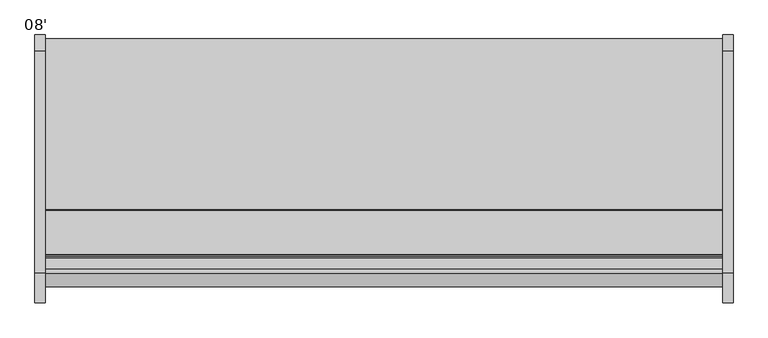
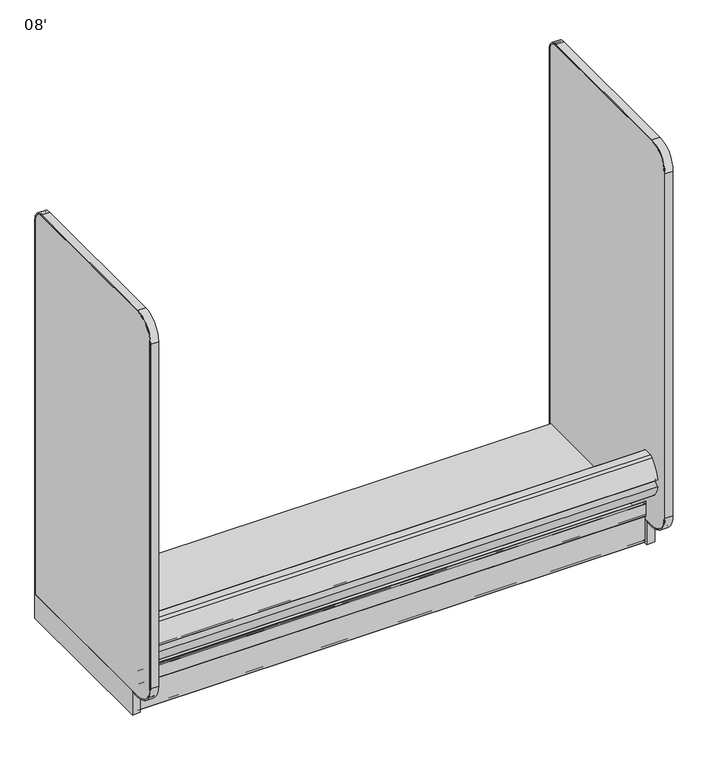
"""IFC4 building model written with IfcOpenShell, lengths in millimetres: proxy geometry, 08'."""

from ifc_helpers import new_model, si_unit, point, frame, frame_2d, origin, origin_with_axes, place, context, project, spatial, polyline, circle_curve, trimmed, segment, composite_curve, outline, extrude, source, transform, mapped, element, save
from ifc_brep_helpers import plane_surface, cylinder_surface, revolved_surface, advanced_brep


def proxy_08_8ae0121e(model_context):
    return source(origin(), model_context, "Body", "SolidModel", [
        extrude(outline(composite_curve([segment(polyline([(-1243.8542655, 286.2737065), (-1261.7115584, 286.2737065)]), True, "CONTINUOUS"), segment(trimmed(circle_curve(frame_2d((-1260.9098694, 292.6237065)), 6.4004067), [point((-1261.7115584, 286.2737065))], [point((-1265.7089904, 288.3888933))], False, "CARTESIAN"), True, "CONTINUOUS"), segment(trimmed(circle_curve(frame_2d((-1170.6951097, 372.230503)), 126.7164276), [point((-1265.7089904, 288.3888933))], [point((-1295.6416388, 351.1255769))], False, "CARTESIAN"), True, "CONTINUOUS"), segment(trimmed(circle_curve(frame_2d((-1293.1554914, 368.3)), 17.3534359), [point((-1295.6416388, 351.1255769))], [point((-1275.8020556, 368.3))], True, "CARTESIAN"), True, "CONTINUOUS"), segment(trimmed(circle_curve(frame_2d((-1293.1554914, 368.3)), 17.3534359), [point((-1275.8020556, 368.3))], [point((-1295.5974754, 385.4807581))], True, "CARTESIAN"), True, "CONTINUOUS"), segment(trimmed(circle_curve(frame_2d((-1123.5833576, 340.4920564)), 177.8), [point((-1295.5974754, 385.4807581))], [point((-1246.7017432, 468.7679432))], False, "CARTESIAN"), True, "CONTINUOUS"), segment(trimmed(circle_curve(frame_2d((-1231.2086688, 452.6258548)), 22.3741452), [point((-1246.7017432, 468.7679432))], [point((-1231.2086688, 475.0))], False, "CARTESIAN"), True, "CONTINUOUS"), segment(polyline([(-1231.2086688, 475.0), (-1191.1416396, 475.0)]), True, "CONTINUOUS"), segment(trimmed(circle_curve(frame_2d((-1191.1416396, 471.8702298)), 3.1297702), [point((-1191.1416396, 475.0))], [point((-1188.0118694, 471.8702298))], False, "CARTESIAN"), True, "CONTINUOUS"), segment(polyline([(-1188.0118694, 471.8702298), (-1188.0118694, 435.4061531), (-1192.8459273, 435.4061531), (-1192.8459273, 391.0306785), (-1243.8542655, 391.0306785), (-1243.8542655, 286.2737065)]), True, "CONTINUOUS")], self_intersect=False)), frame((0.0, 0.0, 0.0), z_axis=(1.0, 0.0, 0.0), x_axis=(0.0, 1.0, 0.0)), (0.0, 0.0, 1.0), 2438.4),
        advanced_brep(
        [(2438.4, -1193.9235446, 202.62215), (2438.4, -1191.4724446, 200.17105), (2438.4, -1185.3954946, 200.17105), (2438.4, -1183.7952946, 198.57085), (2438.4, -1183.7952946, 164.8413675), (2438.4, -1185.5732946, 164.8413675), (2438.4, -1185.5732946, 1.55575), (2438.4, -1184.0175446, 0.0), (2438.4, -1166.8090379, 0.0), (2438.4, -1166.8090379, 0.762), (2438.4, -1184.0175446, 0.762), (2438.4, -1184.8112946, 1.55575), (2438.4, -1183.7952946, 1.55575), (2438.4, -1183.7952946, 95.4659), (2438.4, -1182.9316946, 95.4659), (2438.4, -1182.9316946, 198.57085), (2438.4, -1185.3954946, 201.03465), (2438.4, -1191.3975765, 201.03465), (2438.4, -1193.0599446, 202.6970181), (2438.4, -1193.0599446, 214.9081137), (2438.4, -1194.8379446, 214.9081137), (2438.4, -1194.8379446, 140.8717318), (2438.4, -1193.0599446, 140.8717318), (2438.4, -1193.0599446, 150.2537), (2438.4, -1193.9235446, 150.2537), (0.0, -1193.9235446, 202.62215), (0.0, -1193.9235446, 150.2537), (0.0, -1193.0599446, 150.2537), (0.0, -1193.0599446, 140.8717318), (0.0, -1194.8379446, 140.8717318), (0.0, -1194.8379446, 214.9081137), (0.0, -1193.0599446, 214.9081137), (0.0, -1193.0599446, 202.6970181), (0.0, -1191.3975765, 201.03465), (0.0, -1185.3954946, 201.03465), (0.0, -1182.9316946, 198.57085), (0.0, -1182.9316946, 95.4659), (0.0, -1183.7952946, 95.4659), (0.0, -1183.7952946, 1.55575), (0.0, -1184.8112946, 1.55575), (0.0, -1184.0175446, 0.762), (0.0, -1166.8090379, 0.762), (0.0, -1166.8090379, 0.0), (0.0, -1184.0175446, 0.0), (0.0, -1185.5732946, 1.55575), (0.0, -1185.5732946, 164.8413675), (0.0, -1183.7952946, 164.8413675), (0.0, -1183.7952946, 198.57085), (0.0, -1185.3954946, 200.17105), (0.0, -1191.4724446, 200.17105)],
        [
            (0, 1, circle_curve(frame((2438.4, -1191.4724446, 202.62215), z_axis=(1.0, 0.0, 0.0), x_axis=(0.0, 1.0, 0.0)), 2.4511)),
            (1, 2),
            (2, 3, circle_curve(frame((2438.4, -1185.3954946, 198.57085), z_axis=(-1.0, 0.0, 0.0), x_axis=(0.0, 1.0, 0.0)), 1.6002)),
            (3, 4),
            (4, 5, circle_curve(frame((2438.4, -1184.6842946, 164.8413675), z_axis=(1.0, 0.0, 0.0), x_axis=(0.0, 1.0, 0.0)), 0.889)),
            (5, 6),
            (6, 7, circle_curve(frame((2438.4, -1184.0175446, 1.55575), z_axis=(1.0, 0.0, 0.0), x_axis=(0.0, 1.0, 0.0)), 1.55575)),
            (7, 8),
            (8, 9, circle_curve(frame((2438.4, -1166.8090379, 0.381), z_axis=(1.0, 0.0, 0.0), x_axis=(0.0, 1.0, 0.0)), 0.381)),
            (9, 10),
            (10, 11, circle_curve(frame((2438.4, -1184.0175446, 1.55575), z_axis=(-1.0, 0.0, 0.0), x_axis=(0.0, 1.0, 0.0)), 0.79375)),
            (11, 12),
            (12, 13),
            (13, 14),
            (14, 15),
            (15, 16, circle_curve(frame((2438.4, -1185.3954946, 198.57085), z_axis=(1.0, 0.0, 0.0), x_axis=(0.0, 1.0, 0.0)), 2.4638)),
            (16, 17),
            (17, 18, circle_curve(frame((2438.4, -1191.3975765, 202.6970181), z_axis=(-1.0, 0.0, 0.0), x_axis=(0.0, 1.0, 0.0)), 1.6623681)),
            (18, 19),
            (19, 20, circle_curve(frame((2438.4, -1193.9489446, 214.9081137), z_axis=(1.0, 0.0, 0.0), x_axis=(0.0, 1.0, 0.0)), 0.889)),
            (20, 21),
            (21, 22, circle_curve(frame((2438.4, -1193.9489446, 140.8717318), z_axis=(1.0, 0.0, 0.0), x_axis=(0.0, 1.0, 0.0)), 0.889)),
            (22, 23),
            (23, 24),
            (24, 0),
            (25, 26),
            (26, 27),
            (27, 28),
            (28, 29, circle_curve(frame((0.0, -1193.9489446, 140.8717318), z_axis=(-1.0, 0.0, 0.0), x_axis=(0.0, 1.0, 0.0)), 0.889)),
            (29, 30),
            (30, 31, circle_curve(frame((0.0, -1193.9489446, 214.9081137), z_axis=(-1.0, 0.0, 0.0), x_axis=(0.0, 1.0, 0.0)), 0.889)),
            (31, 32),
            (32, 33, circle_curve(frame((0.0, -1191.3975765, 202.6970181), z_axis=(1.0, 0.0, 0.0), x_axis=(0.0, 1.0, 0.0)), 1.6623681)),
            (33, 34),
            (34, 35, circle_curve(frame((0.0, -1185.3954946, 198.57085), z_axis=(-1.0, 0.0, 0.0), x_axis=(0.0, 1.0, 0.0)), 2.4638)),
            (35, 36),
            (36, 37),
            (37, 38),
            (38, 39),
            (39, 40, circle_curve(frame((0.0, -1184.0175446, 1.55575), z_axis=(1.0, 0.0, 0.0), x_axis=(0.0, 1.0, 0.0)), 0.79375)),
            (40, 41),
            (41, 42, circle_curve(frame((0.0, -1166.8090379, 0.381), z_axis=(-1.0, 0.0, 0.0), x_axis=(0.0, 1.0, 0.0)), 0.381)),
            (42, 43),
            (43, 44, circle_curve(frame((0.0, -1184.0175446, 1.55575), z_axis=(-1.0, 0.0, 0.0), x_axis=(0.0, 1.0, 0.0)), 1.55575)),
            (44, 45),
            (45, 46, circle_curve(frame((0.0, -1184.6842946, 164.8413675), z_axis=(-1.0, 0.0, 0.0), x_axis=(0.0, 1.0, 0.0)), 0.889)),
            (46, 47),
            (47, 48, circle_curve(frame((0.0, -1185.3954946, 198.57085), z_axis=(1.0, 0.0, 0.0), x_axis=(0.0, 1.0, 0.0)), 1.6002)),
            (48, 49),
            (49, 25, circle_curve(frame((0.0, -1191.4724446, 202.62215), z_axis=(-1.0, 0.0, 0.0), x_axis=(0.0, 1.0, 0.0)), 2.4511)),
            (0, 25),
            (49, 1),
            (48, 2),
            (47, 3),
            (46, 4),
            (45, 5),
            (44, 6),
            (43, 7),
            (42, 8),
            (41, 9),
            (40, 10),
            (39, 11),
            (38, 12),
            (37, 13),
            (36, 14),
            (35, 15),
            (34, 16),
            (33, 17),
            (32, 18),
            (31, 19),
            (30, 20),
            (29, 21),
            (28, 22),
            (27, 23),
            (26, 24),
        ],
        [
            plane_surface(frame((2438.4, -1189.0213446, 202.62215), z_axis=(1.0, 0.0, 0.0), x_axis=(0.0, 0.0, 1.0))),
            plane_surface(frame((0.0, -1189.0213446, 202.62215), z_axis=(-1.0, 0.0, 0.0), x_axis=(0.0, 0.0, -1.0))),
            cylinder_surface(frame((0.0, -1191.4724446, 202.62215), z_axis=(1.0, 0.0, 0.0), x_axis=(0.0, 1.0, 0.0)), 2.4511),
            plane_surface(frame((2438.4, -1191.4724446, 200.17105), z_axis=(0.0, 0.0, -1.0), x_axis=(-1.0, 0.0, 0.0))),
            revolved_surface(polyline([(0.0, -1183.7952945999998, 198.57085), (2438.4, -1183.7952945999998, 198.57085)]), (0.0, -1185.3954946, 198.57085), (-1.0, 0.0, 0.0)),
            plane_surface(frame((2438.4, -1183.7952946, 198.57085), z_axis=(0.0, -1.0, 0.0), x_axis=(-1.0, 0.0, 0.0))),
            cylinder_surface(frame((0.0, -1184.6842946, 164.8413675), z_axis=(1.0, 0.0, 0.0), x_axis=(0.0, 1.0, 0.0)), 0.889),
            plane_surface(frame((2438.4, -1185.5732946, 164.8413675), z_axis=(0.0, -1.0, 0.0), x_axis=(-1.0, 0.0, 0.0))),
            cylinder_surface(frame((0.0, -1184.0175446, 1.55575), z_axis=(1.0, 0.0, 0.0), x_axis=(0.0, 1.0, 0.0)), 1.55575),
            plane_surface(frame((2438.4, -1184.0175446, 0.0), z_axis=(0.0, 0.0, -1.0), x_axis=(-1.0, 0.0, 0.0))),
            cylinder_surface(frame((0.0, -1166.8090379, 0.381), z_axis=(1.0, 0.0, 0.0), x_axis=(0.0, 1.0, 0.0)), 0.381),
            plane_surface(frame((2438.4, -1166.8090379, 0.762), z_axis=(0.0, 0.0, 1.0), x_axis=(-1.0, 0.0, 0.0))),
            revolved_surface(polyline([(0.0, -1183.2237946, 1.55575), (2438.4, -1183.2237946, 1.55575)]), (0.0, -1184.0175446, 1.55575), (-1.0, 0.0, 0.0)),
            plane_surface(frame((2438.4, -1184.8112946, 1.55575), z_axis=(0.0, 0.0, -1.0), x_axis=(-1.0, 0.0, 0.0))),
            plane_surface(frame((2438.4, -1183.7952946, 1.55575), z_axis=(0.0, 1.0, 0.0), x_axis=(-1.0, 0.0, 0.0))),
            plane_surface(frame((2438.4, -1183.7952946, 95.4659), z_axis=(0.0, 0.0, -1.0), x_axis=(-1.0, 0.0, 0.0))),
            plane_surface(frame((2438.4, -1182.9316946, 95.4659), z_axis=(0.0, 1.0, 0.0), x_axis=(-1.0, 0.0, 0.0))),
            cylinder_surface(frame((0.0, -1185.3954946, 198.57085), z_axis=(1.0, 0.0, 0.0), x_axis=(0.0, 1.0, 0.0)), 2.4638),
            plane_surface(frame((2438.4, -1185.3954946, 201.03465), z_axis=(0.0, 0.0, 1.0), x_axis=(-1.0, 0.0, 0.0))),
            revolved_surface(polyline([(0.0, -1189.7352084, 202.6970181), (2438.4, -1189.7352084, 202.6970181)]), (0.0, -1191.3975765, 202.6970181), (-1.0, 0.0, 0.0)),
            plane_surface(frame((2438.4, -1193.0599446, 202.6970181), z_axis=(0.0, 1.0, 0.0), x_axis=(-1.0, 0.0, 0.0))),
            cylinder_surface(frame((0.0, -1193.9489446, 214.9081137), z_axis=(1.0, 0.0, 0.0), x_axis=(0.0, 1.0, 0.0)), 0.889),
            plane_surface(frame((2438.4, -1194.8379446, 214.9081137), z_axis=(0.0, -1.0, 0.0), x_axis=(-1.0, 0.0, 0.0))),
            cylinder_surface(frame((0.0, -1193.9489446, 140.8717318), z_axis=(1.0, 0.0, 0.0), x_axis=(0.0, 1.0, 0.0)), 0.889),
            plane_surface(frame((2438.4, -1193.0599446, 140.8717318), z_axis=(0.0, 1.0, 0.0), x_axis=(-1.0, 0.0, 0.0))),
            plane_surface(frame((2438.4, -1193.0599446, 150.2537), z_axis=(0.0, 0.0, 1.0), x_axis=(-1.0, 0.0, 0.0))),
            plane_surface(frame((2438.4, -1193.9235446, 150.2537), z_axis=(0.0, 1.0, 0.0), x_axis=(-1.0, 0.0, 0.0))),
        ],
        [
            (0, [[1, 2, 3, 4, 5, 6, 7, 8, 9, 10, 11, 12, 13, 14, 15, 16, 17, 18, 19, 20, 21, 22, 23, 24, 25]]),
            (1, [[26, 27, 28, 29, 30, 31, 32, 33, 34, 35, 36, 37, 38, 39, 40, 41, 42, 43, 44, 45, 46, 47, 48, 49, 50]]),
            (2, [[-1, 51, -50, 52]]),
            (3, [[-2, -52, -49, 53]]),
            (4, [[-3, -53, -48, 54]]),
            (5, [[-4, -54, -47, 55]]),
            (6, [[-5, -55, -46, 56]]),
            (7, [[-6, -56, -45, 57]]),
            (8, [[-7, -57, -44, 58]]),
            (9, [[-8, -58, -43, 59]]),
            (10, [[-9, -59, -42, 60]]),
            (11, [[-10, -60, -41, 61]]),
            (12, [[-11, -61, -40, 62]]),
            (13, [[-12, -62, -39, 63]]),
            (14, [[-13, -63, -38, 64]]),
            (15, [[-14, -64, -37, 65]]),
            (16, [[-15, -65, -36, 66]]),
            (17, [[-16, -66, -35, 67]]),
            (18, [[-17, -67, -34, 68]]),
            (19, [[-18, -68, -33, 69]]),
            (20, [[-19, -69, -32, 70]]),
            (21, [[-20, -70, -31, 71]]),
            (22, [[-21, -71, -30, 72]]),
            (23, [[-22, -72, -29, 73]]),
            (24, [[-23, -73, -28, 74]]),
            (25, [[-24, -74, -27, 75]]),
            (26, [[-25, -75, -26, -51]]),
        ],
    ),
        extrude(outline(composite_curve([segment(polyline([(-1017.4379946, 26.7240044), (-1086.7444337, 8.1534), (-1178.9692946, 8.1534)]), True, "CONTINUOUS"), segment(trimmed(circle_curve(frame_2d((-1178.9692946, 12.1158)), 3.9624), [point((-1178.9692946, 8.1534))], [point((-1182.9316946, 12.1158))], False, "CARTESIAN"), True, "CONTINUOUS"), segment(polyline([(-1182.9316946, 12.1158), (-1182.9316946, 123.6472)]), True, "CONTINUOUS"), segment(trimmed(circle_curve(frame_2d((-1177.7754946, 123.6472)), 5.1562), [point((-1182.9316946, 123.6472))], [point((-1177.7754946, 128.8034))], False, "CARTESIAN"), True, "CONTINUOUS"), segment(polyline([(-1177.7754946, 128.8034), (-1022.5941946, 128.8034)]), True, "CONTINUOUS"), segment(trimmed(circle_curve(frame_2d((-1022.5941946, 123.6472)), 5.1562), [point((-1022.5941946, 128.8034))], [point((-1017.4379946, 123.6472))], False, "CARTESIAN"), True, "CONTINUOUS"), segment(polyline([(-1017.4379946, 123.6472), (-1017.4379946, 26.7240044)]), True, "CONTINUOUS")], self_intersect=False)), frame((0.0, 0.0, 0.0), z_axis=(1.0, 0.0, 0.0), x_axis=(0.0, 1.0, 0.0)), (0.0, 0.0, 1.0), 2438.4),
        extrude(outline(composite_curve([segment(trimmed(circle_curve(frame_2d((-403.8965273, 5.1562)), 2.3876), [point((-401.5089273, 5.1562))], [point((-403.8965273, 2.7686))], False, "CARTESIAN"), True, "CONTINUOUS"), segment(polyline([(-403.8965273, 2.7686), (-436.5089273, 2.7686), (-436.5089273, 74.8810382), (-980.5089273, 74.8810382), (-980.5089273, 2.7751857), (-1015.0491667, 2.7751857)]), True, "CONTINUOUS"), segment(trimmed(circle_curve(frame_2d((-1015.0491667, 5.1667924)), 2.3916067), [point((-1015.0491667, 2.7751857))], [point((-1017.4407734, 5.1667924))], False, "CARTESIAN"), True, "CONTINUOUS"), segment(polyline([(-1017.4407734, 5.1667924), (-1017.4407734, 130.175), (-401.5089273, 130.175), (-401.5089273, 5.1562)]), True, "CONTINUOUS")], self_intersect=False)), frame((0.0, 0.0, 0.0), z_axis=(1.0, 0.0, 0.0), x_axis=(0.0, 1.0, 0.0)), (0.0, 0.0, 1.0), 2438.4),
        extrude(outline(composite_curve([segment(polyline([(-395.1589273, 123.825), (-1245.9560256, 123.825)]), True, "CONTINUOUS"), segment(trimmed(circle_curve(frame_2d((-1245.9560256, 225.425)), 101.6), [point((-1245.9560256, 123.825))], [point((-1347.5560256, 225.425))], False, "CARTESIAN"), True, "CONTINUOUS"), segment(polyline([(-1347.5560256, 225.425), (-1347.5560256, 1978.025)]), True, "CONTINUOUS"), segment(trimmed(circle_curve(frame_2d((-1245.9560256, 1978.025)), 101.6), [point((-1347.5560256, 1978.025))], [point((-1245.9560256, 2079.625))], False, "CARTESIAN"), True, "CONTINUOUS"), segment(polyline([(-1245.9560256, 2079.625), (-445.9589273, 2079.625)]), True, "CONTINUOUS"), segment(trimmed(circle_curve(frame_2d((-445.9589273, 2028.825)), 50.8), [point((-445.9589273, 2079.625))], [point((-395.1589273, 2028.825))], False, "CARTESIAN"), True, "CONTINUOUS"), segment(polyline([(-395.1589273, 2028.825), (-395.1589273, 123.825)]), True, "CONTINUOUS")], self_intersect=False)), frame((2438.4, 0.0, 0.0), z_axis=(1.0, 0.0, 0.0), x_axis=(0.0, 1.0, 0.0)), (0.0, 0.0, 1.0), 38.1),
        extrude(outline(composite_curve([segment(polyline([(-445.9589273, 2079.625), (-1245.9560256, 2079.625)]), True, "CONTINUOUS"), segment(trimmed(circle_curve(frame_2d((-1245.9560256, 1978.025)), 101.6), [point((-1245.9560256, 2079.625))], [point((-1347.5560256, 1978.025))], True, "CARTESIAN"), True, "CONTINUOUS"), segment(polyline([(-1347.5560256, 1978.025), (-1347.5560256, 225.425)]), True, "CONTINUOUS"), segment(trimmed(circle_curve(frame_2d((-1245.9560256, 225.425)), 101.6), [point((-1347.5560256, 225.425))], [point((-1245.9560256, 123.825))], True, "CARTESIAN"), True, "CONTINUOUS"), segment(polyline([(-1245.9560256, 123.825), (-1202.4531511, 123.825), (-1202.4531511, 117.475), (-1245.9560256, 117.475)]), True, "CONTINUOUS"), segment(trimmed(circle_curve(frame_2d((-1245.9560256, 225.425)), 107.95), [point((-1245.9560256, 117.475))], [point((-1353.9060256, 225.425))], False, "CARTESIAN"), True, "CONTINUOUS"), segment(polyline([(-1353.9060256, 225.425), (-1353.9060256, 1978.025)]), True, "CONTINUOUS"), segment(trimmed(circle_curve(frame_2d((-1245.9560256, 1978.025)), 107.95), [point((-1353.9060256, 1978.025))], [point((-1245.9560256, 2085.975))], False, "CARTESIAN"), True, "CONTINUOUS"), segment(polyline([(-1245.9560256, 2085.975), (-445.9589273, 2085.975)]), True, "CONTINUOUS"), segment(trimmed(circle_curve(frame_2d((-445.9589273, 2028.825)), 57.15), [point((-445.9589273, 2085.975))], [point((-388.8089273, 2028.825))], False, "CARTESIAN"), True, "CONTINUOUS"), segment(polyline([(-388.8089273, 2028.825), (-388.8089273, 123.825), (-395.1589273, 123.825), (-395.1589273, 2028.825)]), True, "CONTINUOUS"), segment(trimmed(circle_curve(frame_2d((-445.9589273, 2028.825)), 50.8), [point((-395.1589273, 2028.825))], [point((-445.9589273, 2079.625))], True, "CARTESIAN"), True, "CONTINUOUS")], self_intersect=False)), frame((2438.4, 0.0, 0.0), z_axis=(1.0, 0.0, 0.0), x_axis=(0.0, 1.0, 0.0)), (0.0, 0.0, 1.0), 38.1),
        extrude(outline(polyline([(2476.5, -388.8089273), (2476.5, -1202.4531511), (2438.4, -1202.4531511), (2438.4, -388.8089273), (2476.5, -388.8089273)])), origin_with_axes(), (0.0, 0.0, 1.0), 123.825),
        extrude(outline(composite_curve([segment(polyline([(-395.1589273, 123.825), (-1245.9560256, 123.825)]), True, "CONTINUOUS"), segment(trimmed(circle_curve(frame_2d((-1245.9560256, 225.425)), 101.6), [point((-1245.9560256, 123.825))], [point((-1347.5560256, 225.425))], False, "CARTESIAN"), True, "CONTINUOUS"), segment(polyline([(-1347.5560256, 225.425), (-1347.5560256, 1978.025)]), True, "CONTINUOUS"), segment(trimmed(circle_curve(frame_2d((-1245.9560256, 1978.025)), 101.6), [point((-1347.5560256, 1978.025))], [point((-1245.9560256, 2079.625))], False, "CARTESIAN"), True, "CONTINUOUS"), segment(polyline([(-1245.9560256, 2079.625), (-445.9589273, 2079.625)]), True, "CONTINUOUS"), segment(trimmed(circle_curve(frame_2d((-445.9589273, 2028.825)), 50.8), [point((-445.9589273, 2079.625))], [point((-395.1589273, 2028.825))], False, "CARTESIAN"), True, "CONTINUOUS"), segment(polyline([(-395.1589273, 2028.825), (-395.1589273, 123.825)]), True, "CONTINUOUS")], self_intersect=False)), frame((-38.1, 0.0, 0.0), z_axis=(1.0, 0.0, 0.0), x_axis=(0.0, 1.0, 0.0)), (0.0, 0.0, 1.0), 38.1),
        extrude(outline(composite_curve([segment(polyline([(-445.9589273, 2079.625), (-1245.9560256, 2079.625)]), True, "CONTINUOUS"), segment(trimmed(circle_curve(frame_2d((-1245.9560256, 1978.025)), 101.6), [point((-1245.9560256, 2079.625))], [point((-1347.5560256, 1978.025))], True, "CARTESIAN"), True, "CONTINUOUS"), segment(polyline([(-1347.5560256, 1978.025), (-1347.5560256, 225.425)]), True, "CONTINUOUS"), segment(trimmed(circle_curve(frame_2d((-1245.9560256, 225.425)), 101.6), [point((-1347.5560256, 225.425))], [point((-1245.9560256, 123.825))], True, "CARTESIAN"), True, "CONTINUOUS"), segment(polyline([(-1245.9560256, 123.825), (-1202.4531511, 123.825), (-1202.4531511, 117.475), (-1245.9560256, 117.475)]), True, "CONTINUOUS"), segment(trimmed(circle_curve(frame_2d((-1245.9560256, 225.425)), 107.95), [point((-1245.9560256, 117.475))], [point((-1353.9060256, 225.425))], False, "CARTESIAN"), True, "CONTINUOUS"), segment(polyline([(-1353.9060256, 225.425), (-1353.9060256, 1978.025)]), True, "CONTINUOUS"), segment(trimmed(circle_curve(frame_2d((-1245.9560256, 1978.025)), 107.95), [point((-1353.9060256, 1978.025))], [point((-1245.9560256, 2085.975))], False, "CARTESIAN"), True, "CONTINUOUS"), segment(polyline([(-1245.9560256, 2085.975), (-445.9589273, 2085.975)]), True, "CONTINUOUS"), segment(trimmed(circle_curve(frame_2d((-445.9589273, 2028.825)), 57.15), [point((-445.9589273, 2085.975))], [point((-388.8089273, 2028.825))], False, "CARTESIAN"), True, "CONTINUOUS"), segment(polyline([(-388.8089273, 2028.825), (-388.8089273, 123.825), (-395.1589273, 123.825), (-395.1589273, 2028.825)]), True, "CONTINUOUS"), segment(trimmed(circle_curve(frame_2d((-445.9589273, 2028.825)), 50.8), [point((-395.1589273, 2028.825))], [point((-445.9589273, 2079.625))], True, "CARTESIAN"), True, "CONTINUOUS")], self_intersect=False)), frame((-38.1, 0.0, 0.0), z_axis=(1.0, 0.0, 0.0), x_axis=(0.0, 1.0, 0.0)), (0.0, 0.0, 1.0), 38.1),
        extrude(outline(polyline([(0.0, -388.8089273), (0.0, -1202.4531511), (-38.1, -1202.4531511), (-38.1, -388.8089273), (0.0, -388.8089273)])), origin_with_axes(), (0.0, 0.0, 1.0), 123.825),
    ])


if __name__ == "__main__":
    model = new_model("IFC4")
    model_context = context("Model", 3, world=origin())
    ifc_project = project(units=[si_unit("LENGTHUNIT", "METRE", prefix="MILLI")], contexts=[model_context])
    site = spatial("IfcSite", under=ifc_project)
    building = spatial("IfcBuilding", under=site)
    placement = place(None, origin())
    proxy_08_shape = proxy_08_8ae0121e(model_context)
    element("IfcBuildingElementProxy", 1, Name="08'", ObjectType="08'", at=placement, inside=building, context=model_context, shape_type="MappedRepresentation", body=[
        mapped(proxy_08_shape, transform((0.0, 0.0, 0.0), x_axis=(1.0, 0.0, 0.0), y_axis=(0.0, 1.0, 0.0), z_axis=(0.0, 0.0, 1.0))),
    ])
    save(model, "model.ifc")
